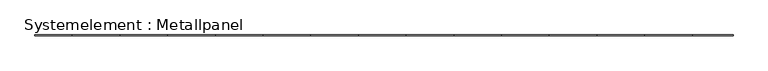
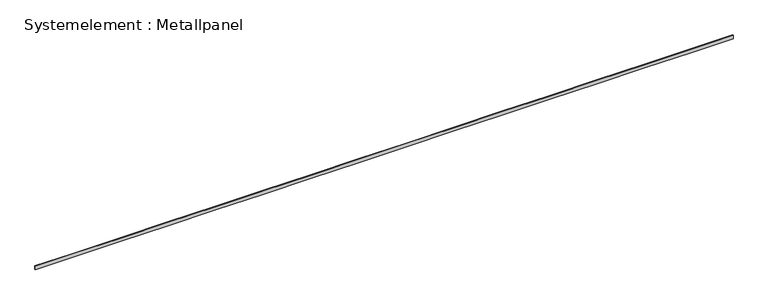
"""IFC4 building model written with IfcOpenShell, lengths in millimetres: plate geometry, Systemelement : Metallpanel."""

from ifc_helpers import new_model, si_unit, frame, origin, place, context, project, spatial, polyline, outline, extrude, source, transform, mapped, element, save


def systemelement_metallpanel_a839bf70(model_context):
    return source(origin(), model_context, "Body", "SweptSolid", [
        extrude(outline(polyline([(0.0, -14637.0236305), (0.0, -13062.9763711), (0.0, -11062.9763711), (0.0, -9062.9763711), (0.0, -7062.9763711), (0.0, -5062.9763711), (0.0, -3062.9763711), (0.0, -1062.9763711), (0.0, 937.0236289), (0.0, 2937.0236289), (0.0, 4937.0236289), (0.0, 6937.0236289), (0.0, 8937.0236289), (0.0, 10937.0236289), (0.0, 12937.0236289), (0.0, 14637.0236305), (145.0, 14637.0236305), (145.0, 12937.0236289), (145.0, 10937.0236289), (145.0, 8937.0236289), (145.0, 6937.0236289), (145.0, 4937.0236289), (145.0, 2937.0236289), (145.0, 937.0236289), (145.0, -1062.9763711), (145.0, -3062.9763711), (145.0, -5062.9763711), (145.0, -7062.9763711), (145.0, -9062.9763711), (145.0, -11062.9763711), (145.0, -13062.9763711), (145.0, -14637.0236305), (0.0, -14637.0236305)])), frame((0.0, -15.0, 0.0), z_axis=(0.0, 1.0, 0.0), x_axis=(0.0, 0.0, 1.0)), (0.0, 0.0, 1.0), 30.0),
    ])


if __name__ == "__main__":
    model = new_model("IFC4")
    model_context = context("Model", 3, world=origin())
    ifc_project = project(units=[si_unit("LENGTHUNIT", "METRE", prefix="MILLI")], contexts=[model_context])
    site = spatial("IfcSite", under=ifc_project)
    building = spatial("IfcBuilding", under=site)
    placement = place(None, origin())
    systemelement_metallpanel_shape = systemelement_metallpanel_a839bf70(model_context)
    element("IfcPlate", 1, ObjectType="Systemelement : Metallpanel", at=placement, inside=building, context=model_context, shape_type="MappedRepresentation", body=[
        mapped(systemelement_metallpanel_shape, transform((0.0, 0.0, 0.0), x_axis=(1.0, 0.0, 0.0), y_axis=(0.0, 1.0, 0.0), z_axis=(0.0, 0.0, 1.0))),
    ])
    save(model, "model.ifc")
